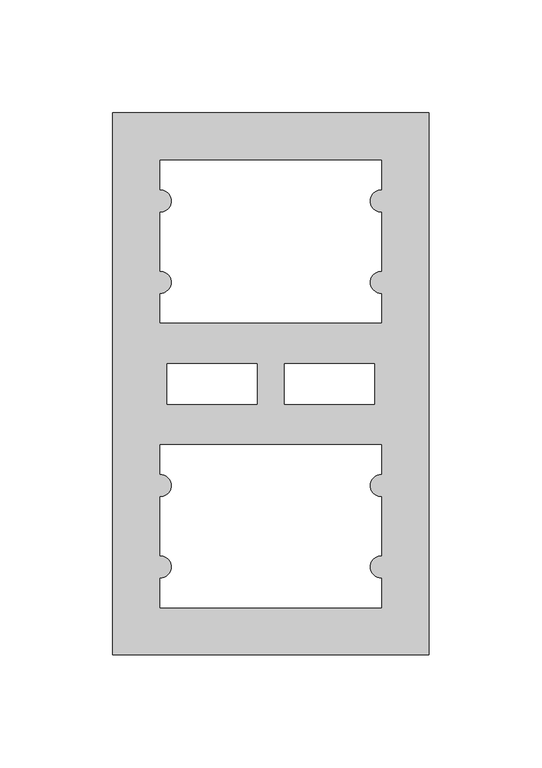
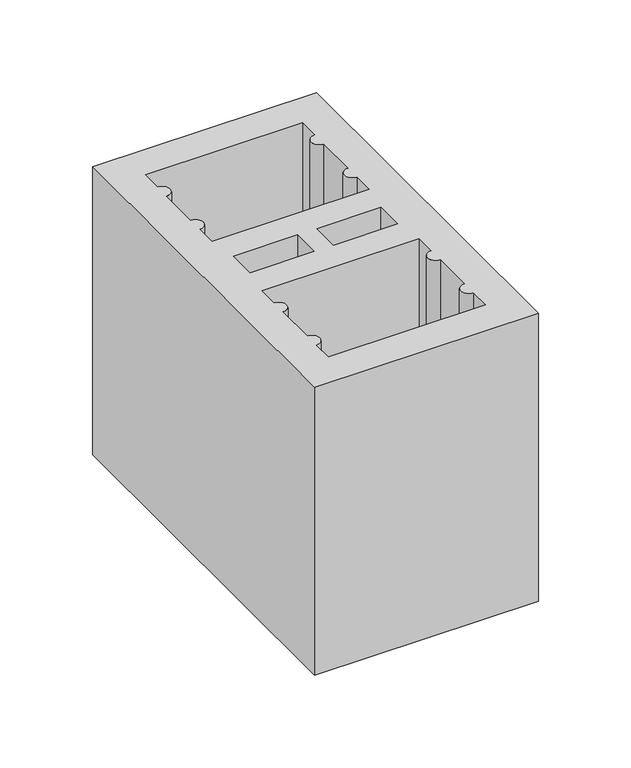
"""IFC4 building model written with IfcOpenShell, lengths in millimetres: proxy geometry."""

import ifcopenshell
import ifcopenshell.guid

model = None  # the IFC model being written
_history = None  # IfcOwnerHistory: only IFC2X3 demands one
_inside = {}  # id of a spatial element -> (the spatial element, [elements in it])
_under = {}  # id of a project, library or spatial element -> (it, [spatial elements below it])
_declared = {}  # id of a project -> (the project, [libraries it declares])
_typed = {}  # id of a type object -> (the type object, [elements of that type])
_made_of = {}  # id of a material, layer set ... -> (it, [elements and type objects made of it])


def new_model(schema):
    """Start an empty IFC model of exactly this schema.

    Asked for "IFC4X3", IfcOpenShell would pick the latest addendum, in which some entities
    have other attributes; the version numbers below select the first issue.
    IFC2X3 requires an IfcOwnerHistory on every rooted entity: one is made here for all.
    """
    global model, _history
    if schema == "IFC4X3":
        model = ifcopenshell.file(schema_version=(4, 3, 0, 0))
    else:
        model = ifcopenshell.file(schema=schema)
    _inside.clear()
    _under.clear()
    _declared.clear()
    _typed.clear()
    _made_of.clear()
    _history = None
    if model.schema == "IFC2X3":
        org = make("IfcOrganization", Name="unknown")
        user = make(
            "IfcPersonAndOrganization",
            ThePerson=make("IfcPerson", FamilyName="unknown"),
            TheOrganization=org,
        )
        app = make(
            "IfcApplication",
            ApplicationDeveloper=org,
            Version="unknown",
            ApplicationFullName="unknown",
            ApplicationIdentifier="unknown",
        )
        _history = make(
            "IfcOwnerHistory",
            OwningUser=user,
            OwningApplication=app,
            ChangeAction="ADDED",
            CreationDate=0,
        )
    return model


def make(cls, **values):
    """One entity of the class cls with the attributes given. An attribute that is None is left unset."""
    return model.create_entity(
        cls, **{name: value for name, value in values.items() if value is not None}
    )


def rooted(cls, **values):
    """An entity with a GlobalId (a new one), such as an element, a storey or a relation."""
    return make(cls, GlobalId=ifcopenshell.guid.new(), OwnerHistory=_history, **values)


def si_unit(unit_type, name, prefix=None):
    """IfcSIUnit, for example si_unit("LENGTHUNIT", "METRE", prefix="MILLI")."""
    return make("IfcSIUnit", UnitType=unit_type, Prefix=prefix, Name=name)


def assignment(units):
    """IfcUnitAssignment: the units of a project."""
    return None if units is None else make("IfcUnitAssignment", Units=units)


def point(xyz):
    """IfcCartesianPoint."""
    return None if xyz is None else make("IfcCartesianPoint", Coordinates=xyz)


def direction(xyz):
    """IfcDirection."""
    return None if xyz is None else make("IfcDirection", DirectionRatios=xyz)


def frame(location, z_axis=None, x_axis=None):
    """IfcAxis2Placement3D, a coordinate frame: its origin and axes. An axis left out is left unset."""
    return make(
        "IfcAxis2Placement3D",
        Location=point(location),
        Axis=direction(z_axis),
        RefDirection=direction(x_axis),
    )


def frame_2d(location, x_axis=None):
    """IfcAxis2Placement2D, a coordinate frame in the plane: its origin and x axis."""
    return make(
        "IfcAxis2Placement2D", Location=point(location), RefDirection=direction(x_axis)
    )


def origin():
    """The frame at (0, 0, 0) with its axes left unset."""
    return frame((0.0, 0.0, 0.0))


def origin_with_axes():
    """The frame at (0, 0, 0) with the z axis (0, 0, 1) and the x axis (1, 0, 0) written out."""
    return frame((0.0, 0.0, 0.0), z_axis=(0.0, 0.0, 1.0), x_axis=(1.0, 0.0, 0.0))


def place(relative_to, where):
    """IfcLocalPlacement: puts the frame where relative to a parent placement (None: the world)."""
    return make(
        "IfcLocalPlacement", PlacementRelTo=relative_to, RelativePlacement=where
    )


def context(
    kind, dimensions, precision=None, world=None, true_north=None, identifier=None
):
    """IfcGeometricRepresentationContext, for example the 3D "Model" context."""
    return make(
        "IfcGeometricRepresentationContext",
        ContextIdentifier=identifier,
        ContextType=kind,
        CoordinateSpaceDimension=dimensions,
        Precision=precision,
        WorldCoordinateSystem=world,
        TrueNorth=true_north,
    )


def project(units=None, contexts=None):
    """IfcProject with its units and contexts."""
    return rooted(
        "IfcProject",
        Name="project",
        RepresentationContexts=contexts,
        UnitsInContext=assignment(units),
    )


def spatial(cls, under=None, at=None, **own):
    """A site, building, storey or space (cls), placed at a placement, below another one or the project."""
    s = rooted(cls, ObjectPlacement=at, **own)
    if under is not None:
        _under.setdefault(under.id(), (under, []))[1].append(s)
    return s


def polyline(points):
    """IfcPolyline through the points."""
    return make("IfcPolyline", Points=[point(p) for p in points])


def circle_curve(where, radius):
    """IfcCircle in the frame where."""
    return make("IfcCircle", Position=where, Radius=radius)


def trimmed(basis, trim1, trim2, sense, master):
    """IfcTrimmedCurve: the piece of a basis curve between two trims."""
    return make(
        "IfcTrimmedCurve",
        BasisCurve=basis,
        Trim1=trim1,
        Trim2=trim2,
        SenseAgreement=sense,
        MasterRepresentation=master,
    )


def segment(curve, same_sense, transition):
    """IfcCompositeCurveSegment."""
    return make(
        "IfcCompositeCurveSegment",
        Transition=transition,
        SameSense=same_sense,
        ParentCurve=curve,
    )


def composite_curve(segments, self_intersect=None):
    """IfcCompositeCurve: segments joined end to end."""
    return make("IfcCompositeCurve", Segments=segments, SelfIntersect=self_intersect)


def outline(outer, holes=None, kind="AREA"):
    """IfcArbitraryClosedProfileDef: a profile drawn as a closed curve; with holes, ...WithVoids."""
    if holes is None:
        return make("IfcArbitraryClosedProfileDef", ProfileType=kind, OuterCurve=outer)
    return make(
        "IfcArbitraryProfileDefWithVoids",
        ProfileType=kind,
        OuterCurve=outer,
        InnerCurves=holes,
    )


def extrude(swept, where, along, depth):
    """IfcExtrudedAreaSolid: the profile swept, set in the frame where, extruded along a direction by depth."""
    return make(
        "IfcExtrudedAreaSolid",
        SweptArea=swept,
        Position=where,
        ExtrudedDirection=direction(along),
        Depth=depth,
    )


def shape(context_of_items, identifier, shape_type, items):
    """IfcShapeRepresentation: the items that make up one representation, for example the "Body"."""
    return make(
        "IfcShapeRepresentation",
        ContextOfItems=context_of_items,
        RepresentationIdentifier=identifier,
        RepresentationType=shape_type,
        Items=items,
    )


def source(mapping_origin, context_of_items, identifier, shape_type, items):
    """IfcRepresentationMap: a shape defined once, which mapped items show again and again."""
    return make(
        "IfcRepresentationMap",
        MappingOrigin=mapping_origin,
        MappedRepresentation=shape(context_of_items, identifier, shape_type, items),
    )


def transform(
    local_origin,
    x_axis=None,
    y_axis=None,
    z_axis=None,
    scale=None,
    scale2=None,
    scale3=None,
    uniform=True,
):
    """IfcCartesianTransformationOperator3D, or its non-uniform kind. x_axis, y_axis, z_axis: its Axis1, 2, 3."""
    if uniform:
        return make(
            "IfcCartesianTransformationOperator3D",
            Axis1=direction(x_axis),
            Axis2=direction(y_axis),
            LocalOrigin=point(local_origin),
            Scale=scale,
            Axis3=direction(z_axis),
        )
    return make(
        "IfcCartesianTransformationOperator3DnonUniform",
        Axis1=direction(x_axis),
        Axis2=direction(y_axis),
        LocalOrigin=point(local_origin),
        Scale=scale,
        Axis3=direction(z_axis),
        Scale2=scale2,
        Scale3=scale3,
    )


def mapped(mapping_source, mapping_target):
    """IfcMappedItem: shows the shape of a source again, moved by a transform."""
    return make(
        "IfcMappedItem", MappingSource=mapping_source, MappingTarget=mapping_target
    )


def made_of(thing, what):
    """Note that an element or type object is made of a material, layer set ...; save() writes the relation."""
    if what is not None:
        _made_of.setdefault(what.id(), (what, []))[1].append(thing)
    return thing


def element(
    cls,
    number,
    at=None,
    inside=None,
    cuts=None,
    type_object=None,
    material=None,
    context=None,
    identifier="Body",
    shape_type=None,
    held_by="IfcProductDefinitionShape",
    body=None,
    shapes=None,
    **own,
):
    """One element of the class cls, such as IfcWall. Its Tag is "e" and its number.

    at: its placement. inside: the storey or other place that contains it. cuts: it is an
    opening in that element (IfcRelVoidsElement). A single representation is given by context,
    identifier, shape_type and body (its items); several are given by shapes. held_by: the class
    of the entity that holds the representations. save() writes the other relations.
    """
    e = rooted(cls, Tag="e%d" % number, ObjectPlacement=at, **own)
    if body is not None:
        shapes = [shape(context, identifier, shape_type, body)]
    if shapes is not None:
        e.Representation = make(held_by, Representations=shapes)
    if inside is not None:
        _inside.setdefault(inside.id(), (inside, []))[1].append(e)
    if cuts is not None:
        rooted(
            "IfcRelVoidsElement", RelatingBuildingElement=cuts, RelatedOpeningElement=e
        )
    if type_object is not None:
        _typed.setdefault(type_object.id(), (type_object, []))[1].append(e)
    return made_of(e, material)


def aggregate(whole, parts):
    """IfcRelAggregates: a whole, such as a stair, and the parts it consists of."""
    return rooted("IfcRelAggregates", RelatingObject=whole, RelatedObjects=parts)


def save(model, path):
    """Write the relations noted so far, then the file.

    IfcRelAggregates (storeys below a building ...), IfcRelContainedInSpatialStructure (elements
    in a storey), IfcRelDefinesByType, IfcRelAssociatesMaterial and IfcRelDeclares: one each for
    every whole, place, type object, material and project.
    """
    for whole, parts in _under.values():
        aggregate(whole, parts)
    for where, things in _inside.values():
        rooted(
            "IfcRelContainedInSpatialStructure",
            RelatedElements=things,
            RelatingStructure=where,
        )
    for kind, things in _typed.values():
        rooted("IfcRelDefinesByType", RelatedObjects=things, RelatingType=kind)
    for what, things in _made_of.values():
        rooted("IfcRelAssociatesMaterial", RelatedObjects=things, RelatingMaterial=what)
    for by, libraries in _declared.values():
        rooted("IfcRelDeclares", RelatingContext=by, RelatedDefinitions=libraries)
    model.write(path)


def generic_models_9947464c(model_context):
    return source(origin(), model_context, "Body", "SweptSolid", [
        extrude(outline(polyline([(140.0, 0.0), (0.0, 0.0), (0.0, 240.0), (140.0, 240.0), (140.0, 0.0)]), holes=[composite_curve([segment(polyline([(21.0, 219.0), (21.0, 206.0)]), True, "CONTINUOUS"), segment(trimmed(circle_curve(frame_2d((21.0, 201.0)), 5.0), [point((21.0, 206.0))], [point((21.0, 196.0))], False, "CARTESIAN"), True, "CONTINUOUS"), segment(polyline([(21.0, 196.0), (21.0, 170.0)]), True, "CONTINUOUS"), segment(trimmed(circle_curve(frame_2d((21.0, 165.0)), 5.0), [point((21.0, 170.0))], [point((21.0, 160.0))], False, "CARTESIAN"), True, "CONTINUOUS"), segment(polyline([(21.0, 160.0), (21.0, 147.0), (119.0, 147.0), (119.0, 160.0)]), True, "CONTINUOUS"), segment(trimmed(circle_curve(frame_2d((119.0, 165.0)), 5.0), [point((119.0, 160.0))], [point((119.0, 170.0))], False, "CARTESIAN"), True, "CONTINUOUS"), segment(polyline([(119.0, 170.0), (119.0, 196.0)]), True, "CONTINUOUS"), segment(trimmed(circle_curve(frame_2d((119.0, 201.0)), 5.0), [point((119.0, 196.0))], [point((119.0, 206.0))], False, "CARTESIAN"), True, "CONTINUOUS"), segment(polyline([(119.0, 206.0), (119.0, 219.0), (21.0, 219.0)]), True, "CONTINUOUS")], self_intersect=False), polyline([(24.0, 129.0), (24.0, 111.0), (64.0, 111.0), (64.0, 129.0), (24.0, 129.0)]), polyline([(116.0, 129.0), (76.0, 129.0), (76.0, 111.0), (116.0, 111.0), (116.0, 129.0)]), composite_curve([segment(polyline([(21.0, 21.0), (119.0, 21.0), (119.0, 34.0)]), True, "CONTINUOUS"), segment(trimmed(circle_curve(frame_2d((119.0, 39.0)), 5.0), [point((119.0, 34.0))], [point((119.0, 44.0))], False, "CARTESIAN"), True, "CONTINUOUS"), segment(polyline([(119.0, 44.0), (119.0, 70.0)]), True, "CONTINUOUS"), segment(trimmed(circle_curve(frame_2d((119.0, 75.0)), 5.0), [point((119.0, 70.0))], [point((119.0, 80.0))], False, "CARTESIAN"), True, "CONTINUOUS"), segment(polyline([(119.0, 80.0), (119.0, 93.0), (21.0, 93.0), (21.0, 80.0)]), True, "CONTINUOUS"), segment(trimmed(circle_curve(frame_2d((21.0, 75.0)), 5.0), [point((21.0, 80.0))], [point((21.0, 70.0))], False, "CARTESIAN"), True, "CONTINUOUS"), segment(polyline([(21.0, 70.0), (21.0, 44.0)]), True, "CONTINUOUS"), segment(trimmed(circle_curve(frame_2d((21.0, 39.0)), 5.0), [point((21.0, 44.0))], [point((21.0, 34.0))], False, "CARTESIAN"), True, "CONTINUOUS"), segment(polyline([(21.0, 34.0), (21.0, 21.0)]), True, "CONTINUOUS")], self_intersect=False)]), origin_with_axes(), (0.0, 0.0, 1.0), 190.0),
    ])


if __name__ == "__main__":
    model = new_model("IFC4")
    model_context = context("Model", 3, world=origin())
    ifc_project = project(units=[si_unit("LENGTHUNIT", "METRE", prefix="MILLI")], contexts=[model_context])
    site = spatial("IfcSite", under=ifc_project)
    building = spatial("IfcBuilding", under=site)
    placement = place(None, origin())
    generic_models_shape = generic_models_9947464c(model_context)
    element("IfcBuildingElementProxy", 1, Name="Generic Models", at=placement, inside=building, context=model_context, shape_type="MappedRepresentation", body=[
        mapped(generic_models_shape, transform((0.0, 0.0, 0.0), x_axis=(1.0, 0.0, 0.0), y_axis=(0.0, 1.0, 0.0), z_axis=(0.0, 0.0, 1.0))),
    ])
    save(model, "model.ifc")
